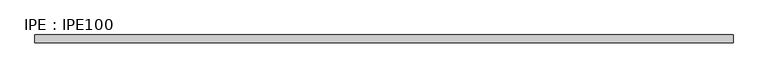
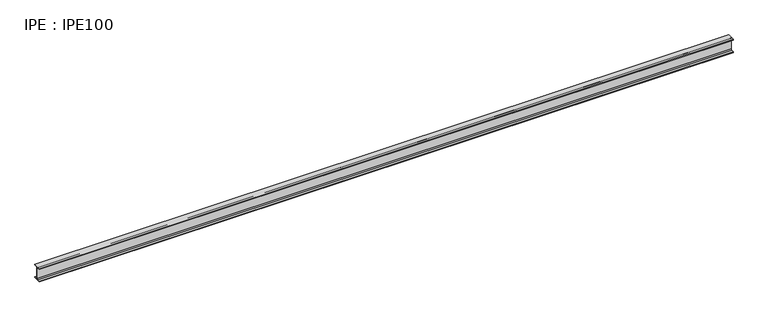
"""IFC4 building model written with IfcOpenShell, lengths in millimetres: beam geometry, IPE : IPE100."""

from ifc_helpers import new_model, si_unit, point, frame, frame_2d, origin, place, context, project, spatial, polyline, circle_curve, trimmed, segment, composite_curve, outline, extrude, source, transform, mapped, element, save


def ipe_ipe100_f960514f(model_context):
    return source(origin(), model_context, "Body", "SweptSolid", [
        extrude(outline(composite_curve([segment(polyline([(27.5, -44.3), (27.5, -50.0), (-27.5, -50.0), (-27.5, -44.3), (-9.05, -44.3)]), True, "CONTINUOUS"), segment(trimmed(circle_curve(frame_2d((-9.05, -37.3)), 7.0), [point((-9.05, -44.3))], [point((-2.05, -37.3))], True, "CARTESIAN"), True, "CONTINUOUS"), segment(polyline([(-2.05, -37.3), (-2.05, 37.3)]), True, "CONTINUOUS"), segment(trimmed(circle_curve(frame_2d((-9.05, 37.3)), 7.0), [point((-2.05, 37.3))], [point((-9.05, 44.3))], True, "CARTESIAN"), True, "CONTINUOUS"), segment(polyline([(-9.05, 44.3), (-27.5, 44.3), (-27.5, 50.0), (27.5, 50.0), (27.5, 44.3), (9.05, 44.3)]), True, "CONTINUOUS"), segment(trimmed(circle_curve(frame_2d((9.05, 37.3)), 7.0), [point((9.05, 44.3))], [point((2.05, 37.3))], True, "CARTESIAN"), True, "CONTINUOUS"), segment(polyline([(2.05, 37.3), (2.05, -37.3)]), True, "CONTINUOUS"), segment(trimmed(circle_curve(frame_2d((9.05, -37.3)), 7.0), [point((2.05, -37.3))], [point((9.05, -44.3))], True, "CARTESIAN"), True, "CONTINUOUS"), segment(polyline([(9.05, -44.3), (27.5, -44.3)]), True, "CONTINUOUS")], self_intersect=False)), frame((-2466.9, 0.0, 0.0), z_axis=(1.0, 0.0, 0.0), x_axis=(0.0, 1.0, 0.0)), (0.0, 0.0, 1.0), 4964.7),
    ])


if __name__ == "__main__":
    model = new_model("IFC4")
    model_context = context("Model", 3, world=origin())
    ifc_project = project(units=[si_unit("LENGTHUNIT", "METRE", prefix="MILLI")], contexts=[model_context])
    site = spatial("IfcSite", under=ifc_project)
    building = spatial("IfcBuilding", under=site)
    placement = place(None, origin())
    ipe_ipe100_shape = ipe_ipe100_f960514f(model_context)
    element("IfcBeam", 1, ObjectType="IPE : IPE100", at=placement, inside=building, context=model_context, shape_type="MappedRepresentation", body=[
        mapped(ipe_ipe100_shape, transform((0.0, 0.0, 0.0), x_axis=(1.0, 0.0, 0.0), y_axis=(0.0, 1.0, 0.0), z_axis=(0.0, 0.0, 1.0))),
    ])
    save(model, "model.ifc")
